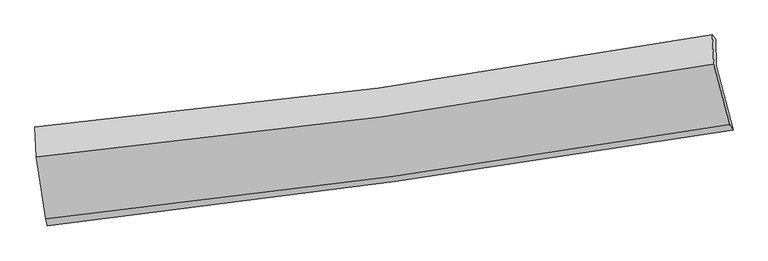
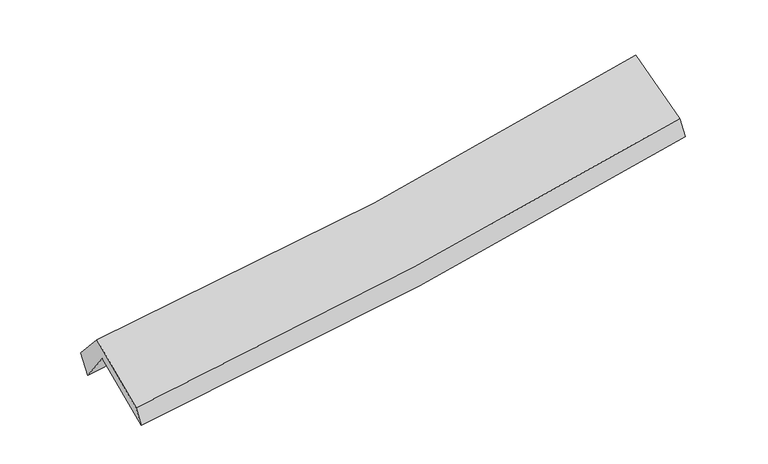
"""IFC4 building model written with IfcOpenShell, lengths in millimetres: proxy geometry."""

from ifc_helpers import new_model, si_unit, frame, origin, place, context, project, spatial, source, transform, mapped, element, save
from ifc_brep_helpers import plane_surface, spline_curve, spline_surface, advanced_brep


def generic_models_7cad3f90(model_context):
    return source(origin(), model_context, "Body", "AdvancedBrep", [
        advanced_brep(
        [(-2865.1655151, -2505.9436713, 1482.9643954), (-2944.8426927, -1978.5582304, 1892.8184509), (2852.9390138, -1136.2269471, 2364.4461004), (2995.938533, -1688.706191, 1961.6321312), (-2952.4066074, -1746.683633, 1580.4886133), (2845.9205341, -907.0762514, 2067.0840309), (-2972.2577211, -1660.1802946, 1769.3281464), (2819.1647195, -871.6840442, 2249.1583105), (-2960.6440152, -1915.8983846, 2055.103454), (2831.8634062, -1124.0720436, 2532.5475877), (-2880.0363654, -2447.2092545, 1636.1484005), (2968.19305, -1640.06518, 2131.6995132)],
        [
            (0, 1),
            (1, 2, spline_curve(3, [(-2944.8426927, -1978.5582304, 1892.8184509), (-1960.432346845, -1875.809158052, 1951.563296997), (-979.691367169, -1753.231429661, 2020.79610082), (952.741279566, -1471.58293802, 2178.46622501), (1904.594201889, -1313.383571714, 2266.442637663), (2852.9390138, -1136.2269471, 2364.4461004)], [4, 2, 4], [0.0, 9.80196182525801, 19.38612356172764])),
            (2, 3),
            (3, 0, spline_curve(3, [(2995.938533, -1688.706191, 1961.6321312), (2036.489497884, -1844.778088525, 1848.643317877), (1073.863128077, -1990.272222483, 1752.516485445), (-879.692170393, -2263.17093782, 1592.185488494), (-1870.767150175, -2390.089297249, 1528.756408983), (-2865.1655151, -2505.9436713, 1482.9643954)], [4, 2, 4], [0.0, 9.58416173646963, 19.38612356172764])),
            (1, 4),
            (4, 5, spline_curve(3, [(-2952.4066074, -1746.683633, 1580.4886133), (-1967.55262801, -1643.081038241, 1636.972535175), (-986.545843666, -1520.313463988, 1706.363075724), (946.060800034, -1239.602105547, 1869.128747619), (1897.829729276, -1082.500552599, 1961.936679357), (2845.9205341, -907.0762514, 2067.0840309)], [4, 2, 4], [0.0, 9.75424130659291, 19.291742876741957])),
            (5, 2),
            (4, 6),
            (6, 7, spline_curve(3, [(-2972.2577211, -1660.1802946, 1769.3281464), (-1988.530467814, -1572.700018127, 1826.817671084), (-1008.669110336, -1462.258540218, 1896.128854019), (921.635144486, -1198.41739509, 2056.591760733), (1872.247933714, -1046.02678978, 2147.223965979), (2819.1647195, -871.6840442, 2249.1583105)], [4, 2, 4], [0.0, 9.743771165094538, 19.27103524082022])),
            (7, 5),
            (6, 8),
            (8, 9, spline_curve(3, [(-2960.6440152, -1915.8983846, 2055.103454), (-1976.982251738, -1822.556628788, 2106.580091915), (-997.060812903, -1708.933559538, 2172.715279818), (933.610620459, -1444.100155841, 2332.507514234), (1884.524989014, -1293.781111482, 2425.520371131), (2831.8634062, -1124.0720436, 2532.5475877)], [4, 2, 4], [0.0, 9.733234767545179, 19.250196565009322])),
            (9, 7),
            (8, 10),
            (10, 11, spline_curve(3, [(-2880.0363654, -2447.2092545, 1636.1484005), (-1887.859463536, -2340.208136971, 1695.873015098), (-898.97986533, -2218.526796143, 1767.628868883), (1050.285035367, -1948.833628529, 1933.341302648), (2010.81524223, -1801.466944606, 2026.769152652), (2968.19305, -1640.06518, 2131.6995132)], [4, 2, 4], [0.0, 9.781977079698112, 19.34659813266756])),
            (11, 9),
            (10, 0),
            (3, 11),
        ],
        [
            spline_surface(3, 3, [[(-2865.1655151, -2505.9436713, 1482.9643954), (-1870.76715021, -2390.089297378, 1528.756408993), (-879.692170498, -2263.170937888, 1592.185488475), (1073.86312818, -1990.272222416, 1752.516485463), (2036.48949778, -1844.778088524, 1848.64331788), (2995.938533, -1688.706191, 1961.6321312)], [(-2891.724574274, -2330.148524309, 1619.582413924), (-1900.655549111, -2218.662584277, 1669.692038307), (-913.02523606, -2093.191101832, 1735.055692576), (1033.489178669, -1817.375794217, 1894.499731962), (1992.52439918, -1667.646582958, 1987.909757775), (2948.272026577, -1504.546443042, 2095.90345427)], [(-2918.283633526, -2154.353377391, 1756.200432376), (-1930.54394809, -2047.235871248, 1810.627667549), (-946.358301655, -1923.211265849, 1877.925896723), (993.115229124, -1644.479366092, 2036.482978508), (1948.559300648, -1490.515077366, 2127.176197659), (2900.605520223, -1320.386695058, 2230.17477733)], [(-2944.8426927, -1978.5582304, 1892.8184509), (-1960.432346991, -1875.809158147, 1951.563296863), (-979.691367216, -1753.231429792, 2020.796100824), (952.741279613, -1471.582937892, 2178.466225007), (1904.594202047, -1313.3835718, 2266.442637554), (2852.9390138, -1136.2269471, 2364.4461004)]], [4, 4], [4, 2, 4], [0.0, 2.223200344984001], [0.0, 9.80196182525801, 19.38612356172764]),
            spline_surface(3, 3, [[(-2944.8426927, -1978.5582304, 1892.8184509), (-1960.432346991, -1875.809158147, 1951.563296863), (-979.691367216, -1753.231429792, 2020.796100824), (952.741279613, -1471.582937892, 2178.466225007), (1904.594202047, -1313.3835718, 2266.442637554), (2852.9390138, -1136.2269471, 2364.4461004)], [(-2947.36399762, -1901.266697934, 1788.708505008), (-1962.805774026, -1798.233118169, 1846.699709636), (-981.976192677, -1675.592107888, 1915.98509252), (950.514453072, -1394.255993796, 2075.353732505), (1902.339377831, -1236.422565375, 2164.940651477), (2850.599520576, -1059.843381872, 2265.325410553)], [(-2949.88530248, -1823.975165466, 1684.598559192), (-1965.179201001, -1720.657078188, 1741.836122483), (-984.261018149, -1597.95278591, 1811.174084182), (948.28762652, -1316.929049626, 1972.241239971), (1900.084553587, -1159.461558935, 2063.438665441), (2848.260027324, -983.459816628, 2166.204720747)], [(-2952.4066074, -1746.683633, 1580.4886133), (-1967.552628036, -1643.08103821, 1636.972535256), (-986.54584361, -1520.313464007, 1706.363075878), (946.060799979, -1239.602105529, 1869.128747469), (1897.82972937, -1082.50055251, 1961.936679365), (2845.9205341, -907.0762514, 2067.0840309)]], [4, 4], [4, 2, 4], [0.0, 1.2765414277757154], [0.0, 9.75424130659291, 19.291742876741957]),
            spline_surface(3, 3, [[(-2952.4066074, -1746.683633, 1580.4886133), (-1967.552628036, -1643.08103821, 1636.972535256), (-986.54584361, -1520.313464007, 1706.363075878), (946.060799979, -1239.602105529, 1869.128747469), (1897.82972937, -1082.50055251, 1961.936679365), (2845.9205341, -907.0762514, 2067.0840309)], [(-2959.023645296, -1717.849186871, 1643.435124341), (-1974.545241292, -1619.620698193, 1700.254247158), (-993.920265862, -1500.961822693, 1769.618335228), (937.918914791, -1225.873868727, 1931.616418626), (1889.302464187, -1070.342631579, 2023.699108235), (2837.001929232, -895.278848995, 2127.775457427)], [(-2965.640683204, -1689.014740729, 1706.381635359), (-1981.537854561, -1596.160358163, 1763.535959036), (-1001.294688063, -1481.610181438, 1832.873594519), (929.777029654, -1212.145631984, 1994.104089723), (1880.775199007, -1058.184710664, 2085.461537125), (2828.083324368, -883.481446605, 2188.466883973)], [(-2972.2577211, -1660.1802946, 1769.3281464), (-1988.530467817, -1572.700018146, 1826.817670938), (-1008.669110315, -1462.258540124, 1896.128853869), (921.635144465, -1198.417395181, 2056.591760881), (1872.247933824, -1046.026789733, 2147.223965996), (2819.1647195, -871.6840442, 2249.1583105)]], [4, 4], [4, 2, 4], [0.0, 0.6446379348438475], [0.0, 9.743771165094538, 19.27103524082022]),
            spline_surface(3, 3, [[(-2972.2577211, -1660.1802946, 1769.3281464), (-1988.530467817, -1572.700018146, 1826.817670938), (-1008.669110315, -1462.258540124, 1896.128853869), (921.635144465, -1198.417395181, 2056.591760881), (1872.247933824, -1046.026789733, 2147.223965996), (2819.1647195, -871.6840442, 2249.1583105)], [(-2968.386485783, -1745.419657936, 1864.586582264), (-1984.681062398, -1655.985555074, 1920.071811239), (-1004.79967786, -1544.483546622, 1988.324329118), (925.626969796, -1280.311648733, 2148.563678677), (1876.340285535, -1128.611563653, 2239.989434363), (2823.397615064, -955.813377351, 2343.621402918)], [(-2964.515250517, -1830.659021264, 1959.845018136), (-1980.831657032, -1739.271091993, 2013.32595155), (-1000.930245381, -1626.708553082, 2080.519804449), (929.618795151, -1362.205902248, 2240.535596555), (1880.432637252, -1211.196337522, 2332.754902676), (2827.630510636, -1039.942710449, 2438.084495282)], [(-2960.6440152, -1915.8983846, 2055.103454), (-1976.982251613, -1822.556628921, 2106.580091852), (-997.060812926, -1708.93355958, 2172.715279698), (933.610620482, -1444.1001558, 2332.507514351), (1884.524988962, -1293.781111442, 2425.520371043), (2831.8634062, -1124.0720436, 2532.5475877)]], [4, 4], [4, 2, 4], [0.0, 1.2146570728053139], [0.0, 9.733234767545179, 19.250196565009322]),
            spline_surface(3, 3, [[(-2960.6440152, -1915.8983846, 2055.103454), (-1976.982251613, -1822.556628921, 2106.580091852), (-997.060812926, -1708.93355958, 2172.715279698), (933.610620482, -1444.1001558, 2332.507514351), (1884.524988962, -1293.781111442, 2425.520371043), (2831.8634062, -1124.0720436, 2532.5475877)], [(-2933.774798608, -2093.002007911, 1915.451769506), (-1947.274655593, -1995.107131584, 1969.677732898), (-964.367163701, -1878.797971728, 2037.686476133), (972.502092101, -1612.34464675, 2199.452110421), (1926.621740044, -1463.00972251, 2292.603298279), (2877.306620796, -1296.069755721, 2398.931562872)], [(-2906.905581992, -2270.105631189, 1775.800084994), (-1917.56705955, -2167.657634214, 1832.775373926), (-931.673514502, -2048.662383873, 1902.657672552), (1011.393563695, -1780.589137697, 2066.396706477), (1968.718491139, -1632.238333615, 2159.686225501), (2922.749835404, -1468.067467879, 2265.315538028)], [(-2880.0363654, -2447.2092545, 1636.1484005), (-1887.859463531, -2340.208136876, 1695.873014972), (-898.979865277, -2218.526796022, 1767.628868987), (1050.285035315, -1948.833628648, 1933.341302547), (2010.815242221, -1801.466944683, 2026.769152738), (2968.19305, -1640.06518, 2131.6995132)]], [4, 4], [4, 2, 4], [0.0, 2.15268401503632], [0.0, 9.781977079698112, 19.34659813266756]),
            spline_surface(3, 3, [[(-2880.0363654, -2447.2092545, 1636.1484005), (-1887.859463531, -2340.208136876, 1695.873014972), (-898.979865277, -2218.526796022, 1767.628868987), (1050.285035315, -1948.833628648, 1933.341302547), (2010.815242221, -1801.466944683, 2026.769152738), (2968.19305, -1640.06518, 2131.6995132)], [(-2875.07941532, -2466.787393439, 1585.087065457), (-1882.162025777, -2356.835190382, 1640.167479636), (-892.550633682, -2233.40817665, 1709.147742156), (1058.144399605, -1962.646493243, 1873.066363526), (2019.373327429, -1815.903992616, 1967.393874446), (2977.441544355, -1656.27885032, 2075.010385861)], [(-2870.12246518, -2486.365532361, 1534.025730443), (-1876.464587964, -2373.462243872, 1584.461944329), (-886.121402093, -2248.28955726, 1650.666615305), (1066.00376389, -1976.459357821, 1812.791424484), (2027.931412572, -1830.341040591, 1908.018596172), (2986.690038645, -1672.49252068, 2018.321258539)], [(-2865.1655151, -2505.9436713, 1482.9643954), (-1870.76715021, -2390.089297378, 1528.756408993), (-879.692170498, -2263.170937888, 1592.185488475), (1073.86312818, -1990.272222416, 1752.516485463), (2036.48949778, -1844.778088524, 1848.64331788), (2995.938533, -1688.706191, 1961.6321312)]], [4, 4], [4, 2, 4], [0.0, 0.6051576776077163], [0.0, 9.840519031068615, 19.462381230280606]),
            plane_surface(frame((2885.6698761, -1227.9717762, 2217.761279), z_axis=(0.9787405164678773, 0.17298182752836372, 0.11020112871082825), x_axis=(0.20424888133302171, -0.773060194027517, -0.6005500236319594))),
            plane_surface(frame((-2929.2254861, -2042.4122447, 1736.1419101), z_axis=(-0.9927212856954089, -0.10695532458496122, -0.05536250960876146), x_axis=(-0.09027368640452343, 0.35654802777536476, 0.9299054604810295))),
        ],
        [
            (0, [[1, 2, 3, 4]]),
            (1, [[5, 6, 7, -2]]),
            (2, [[8, 9, 10, -6]]),
            (3, [[11, 12, 13, -9]]),
            (4, [[14, 15, 16, -12]]),
            (5, [[17, -4, 18, -15]]),
            (6, [[-16, -18, -3, -7, -10, -13]]),
            (7, [[-17, -14, -11, -8, -5, -1]]),
        ],
    ),
    ])


if __name__ == "__main__":
    model = new_model("IFC4")
    model_context = context("Model", 3, world=origin())
    ifc_project = project(units=[si_unit("LENGTHUNIT", "METRE", prefix="MILLI")], contexts=[model_context])
    site = spatial("IfcSite", under=ifc_project)
    building = spatial("IfcBuilding", under=site)
    placement = place(None, origin())
    generic_models_shape = generic_models_7cad3f90(model_context)
    element("IfcBuildingElementProxy", 1, Name="Generic Models", at=placement, inside=building, context=model_context, shape_type="MappedRepresentation", body=[
        mapped(generic_models_shape, transform((0.0, 0.0, 0.0), x_axis=(1.0, 0.0, 0.0), y_axis=(0.0, 1.0, 0.0), z_axis=(0.0, 0.0, 1.0))),
    ])
    save(model, "model.ifc")
